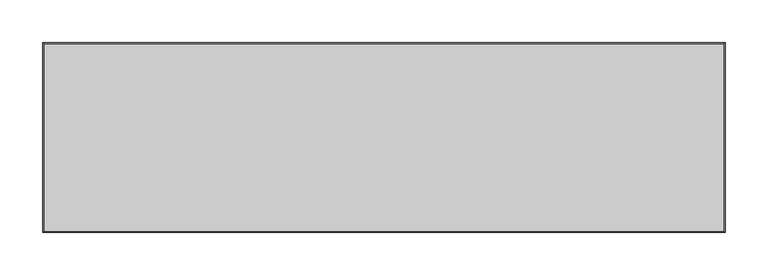
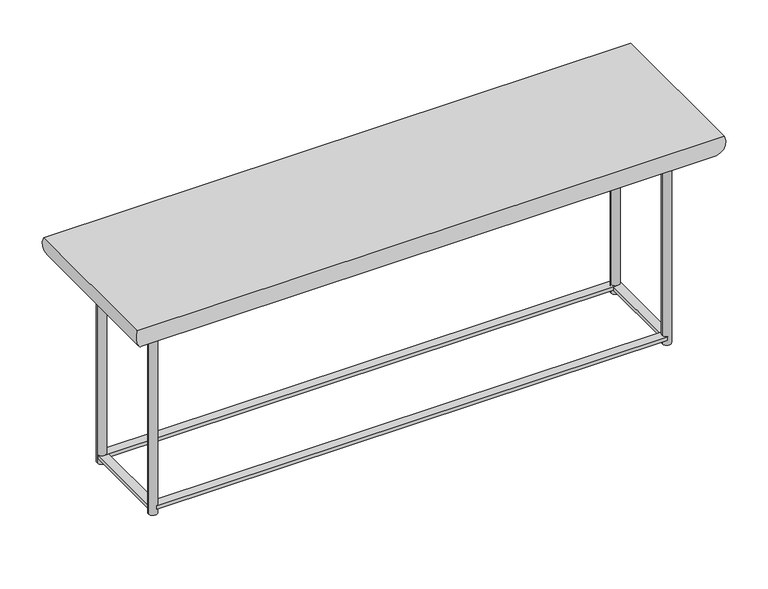
"""IFC4 building model written with IfcOpenShell, lengths in millimetres: furniture geometry."""

from ifc_helpers import new_model, si_unit, point, frame, frame_2d, origin, origin_with_axes, place, context, project, spatial, polyline, circle_curve, ellipse_curve, trimmed, segment, composite_curve, outline, extrude, source, transform, mapped, element, save
from ifc_brep_helpers import plane_surface, cylinder_surface, advanced_brep


def furniture_fbe60bef(model_context):
    return source(origin(), model_context, "Body", "SolidModel", [
        extrude(outline(composite_curve([segment(trimmed(circle_curve(frame_2d((350.0628, 60.5004981)), 6.096), [point((356.1588, 60.5004981))], [point((343.9668, 60.5004981))], False, "CARTESIAN"), True, "CONTINUOUS"), segment(trimmed(circle_curve(frame_2d((350.0628, 60.5004981)), 6.096), [point((343.9668, 60.5004981))], [point((356.1588, 60.5004981))], False, "CARTESIAN"), True, "CONTINUOUS")], self_intersect=False)), origin_with_axes(), (0.0, 0.0, 1.0), 269.88008),
        extrude(outline(composite_curve([segment(trimmed(circle_curve(frame_2d((350.0628, -60.5004981)), 6.096), [point((356.1588, -60.5004981))], [point((343.9668, -60.5004981))], False, "CARTESIAN"), True, "CONTINUOUS"), segment(trimmed(circle_curve(frame_2d((350.0628, -60.5004981)), 6.096), [point((343.9668, -60.5004981))], [point((356.1588, -60.5004981))], False, "CARTESIAN"), True, "CONTINUOUS")], self_intersect=False)), origin_with_axes(), (0.0, 0.0, 1.0), 269.88008),
        extrude(outline(composite_curve([segment(trimmed(circle_curve(frame_2d((-350.0628, 60.5004981)), 6.096), [point((-343.9668, 60.5004981))], [point((-356.1588, 60.5004981))], False, "CARTESIAN"), True, "CONTINUOUS"), segment(trimmed(circle_curve(frame_2d((-350.0628, 60.5004981)), 6.096), [point((-356.1588, 60.5004981))], [point((-343.9668, 60.5004981))], False, "CARTESIAN"), True, "CONTINUOUS")], self_intersect=False)), origin_with_axes(), (0.0, 0.0, 1.0), 269.88008),
        advanced_brep(
        [(369.85956, 80.2972581, 269.88008), (400.05, 110.4876981, 309.88), (400.05, -110.4876981, 309.88), (369.85956, -80.2972581, 269.88008), (-400.05, -110.4876981, 309.88), (-369.85956, -80.2972581, 269.88008), (-400.05, 110.4876981, 309.88), (-369.85956, 80.2972581, 269.88008)],
        [
            (0, 1, ellipse_curve(frame((369.85956, 80.2972581, 301.2733461), z_axis=(0.7071067811865475, -0.7071067811865475, 0.0), x_axis=(0.7071067811865474, 0.7071067811865476, 0.0)), 44.3967827, 31.3932661)),
            (1, 2),
            (2, 3, ellipse_curve(frame((369.85956, -80.2972581, 301.2733461), z_axis=(0.7071067811865475, 0.7071067811865475, 0.0), x_axis=(-0.7071067811865474, 0.7071067811865476, 0.0)), 44.3967827, 31.3932661)),
            (3, 0),
            (2, 4),
            (4, 5, ellipse_curve(frame((-369.85956, -80.2972581, 301.2733461), z_axis=(0.7071067811865475, -0.7071067811865475, 0.0), x_axis=(0.7071067811865476, 0.7071067811865474, 0.0)), 44.3967827, 31.3932661)),
            (5, 3),
            (4, 6),
            (6, 7, ellipse_curve(frame((-369.85956, 80.2972581, 301.2733461), z_axis=(-0.7071067811865475, -0.7071067811865475, 0.0), x_axis=(0.7071067811865474, -0.7071067811865476, 0.0)), 44.3967827, 31.3932661)),
            (7, 5),
            (1, 6),
            (0, 7),
        ],
        [
            cylinder_surface(frame((369.85956, 60.5004981, 301.2733461), z_axis=(0.0, 1.0, 0.0), x_axis=(1.0, 0.0, 0.0)), 31.3932661),
            cylinder_surface(frame((350.0628, -80.2972581, 301.2733461), z_axis=(1.0, 0.0, 0.0), x_axis=(0.0, -1.0, 0.0)), 31.3932661),
            cylinder_surface(frame((-369.85956, -60.5004981, 301.2733461), z_axis=(0.0, -1.0, 0.0), x_axis=(-1.0, 0.0, 0.0)), 31.3932661),
            plane_surface(frame((-350.0628, 60.5004981, 309.88), z_axis=(0.0, 0.0, 1.0), x_axis=(1.0, 0.0, 0.0))),
            cylinder_surface(frame((-350.0628, 80.2972581, 301.2733461), z_axis=(-1.0, 0.0, 0.0), x_axis=(0.0, 1.0, 0.0)), 31.3932661),
            plane_surface(frame((-369.85956, 80.2972581, 269.88008), z_axis=(0.0, 0.0, -1.0), x_axis=(1.0, 0.0, 0.0))),
        ],
        [
            (0, [[1, 2, 3, 4]]),
            (1, [[-3, 5, 6, 7]]),
            (2, [[-6, 8, 9, 10]]),
            (3, [[-2, 11, -8, -5]]),
            (4, [[-1, 12, -9, -11]]),
            (5, [[-4, -7, -10, -12]]),
        ],
    ),
        extrude(outline(composite_curve([segment(trimmed(circle_curve(frame_2d((-350.0628, 60.5004981)), 5.99948), [point((-356.06228, 60.5004981))], [point((-344.06332, 60.5004981))], False, "CARTESIAN"), True, "CONTINUOUS"), segment(trimmed(circle_curve(frame_2d((-350.0628, 60.5004981)), 5.99948), [point((-344.06332, 60.5004981))], [point((-356.06228, 60.5004981))], False, "CARTESIAN"), True, "CONTINUOUS")], self_intersect=False)), origin_with_axes(), (0.0, 0.0, 1.0), 269.88008),
        extrude(outline(composite_curve([segment(trimmed(circle_curve(frame_2d((-350.0628, -60.5004981)), 6.096), [point((-343.9668, -60.5004981))], [point((-356.1588, -60.5004981))], False, "CARTESIAN"), True, "CONTINUOUS"), segment(trimmed(circle_curve(frame_2d((-350.0628, -60.5004981)), 6.096), [point((-356.1588, -60.5004981))], [point((-343.9668, -60.5004981))], False, "CARTESIAN"), True, "CONTINUOUS")], self_intersect=False)), origin_with_axes(), (0.0, 0.0, 1.0), 269.88008),
        extrude(outline(polyline([(350.0628, -54.4044981), (350.0628, -66.5964981), (-350.0628, -66.5964981), (-350.0628, -54.4044981), (350.0628, -54.4044981)])), frame((0.0, 0.0, 7.45998), z_axis=(0.0, 0.0, 1.0), x_axis=(1.0, 0.0, 0.0)), (0.0, 0.0, 1.0), 5.08),
        extrude(outline(polyline([(350.0628, 66.5964981), (350.0628, 54.4044981), (-350.0628, 54.4044981), (-350.0628, 66.5964981), (350.0628, 66.5964981)])), frame((0.0, 0.0, 7.45998), z_axis=(0.0, 0.0, 1.0), x_axis=(1.0, 0.0, 0.0)), (0.0, 0.0, 1.0), 5.08),
        extrude(outline(polyline([(356.1588, -60.5004981), (343.9668, -60.5004981), (343.9668, 60.5004981), (356.1588, 60.5004981), (356.1588, -60.5004981)])), frame((0.0, 0.0, 7.45998), z_axis=(0.0, 0.0, 1.0), x_axis=(1.0, 0.0, 0.0)), (0.0, 0.0, 1.0), 5.08),
        extrude(outline(polyline([(-343.9668, -60.5004981), (-356.1588, -60.5004981), (-356.1588, 60.5004981), (-343.9668, 60.5004981), (-343.9668, -60.5004981)])), frame((0.0, 0.0, 7.45998), z_axis=(0.0, 0.0, 1.0), x_axis=(1.0, 0.0, 0.0)), (0.0, 0.0, 1.0), 5.08),
    ])


if __name__ == "__main__":
    model = new_model("IFC4")
    model_context = context("Model", 3, world=origin())
    ifc_project = project(units=[si_unit("LENGTHUNIT", "METRE", prefix="MILLI")], contexts=[model_context])
    site = spatial("IfcSite", under=ifc_project)
    building = spatial("IfcBuilding", under=site)
    placement = place(None, origin())
    furniture_shape = furniture_fbe60bef(model_context)
    element("IfcFurniture", 1, at=placement, inside=building, context=model_context, shape_type="MappedRepresentation", body=[
        mapped(furniture_shape, transform((0.0, 0.0, 0.0), x_axis=(1.0, 0.0, 0.0), y_axis=(0.0, 1.0, 0.0), z_axis=(0.0, 0.0, 1.0))),
    ])
    save(model, "model.ifc")
